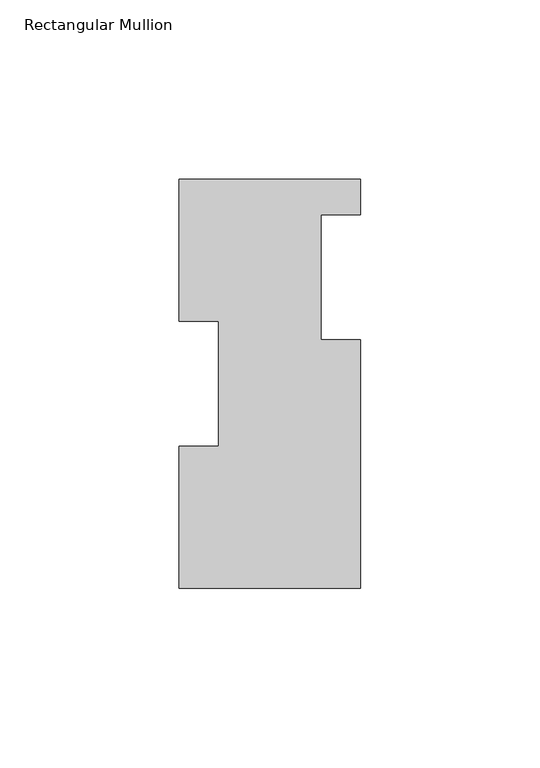
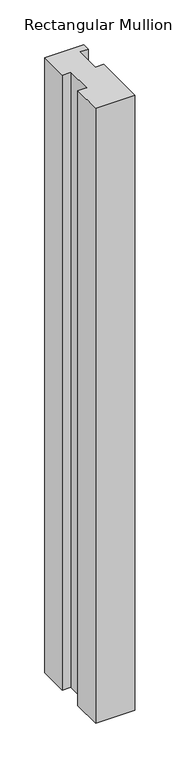
"""IFC4 building model written with IfcOpenShell, lengths in millimetres: member geometry, Rectangular Mullion."""

from ifc_helpers import new_model, si_unit, frame, origin, place, context, project, spatial, polyline, outline, extrude, source, transform, mapped, element, save


def rectangular_mullion_536989b6(model_context):
    return source(origin(), model_context, "Body", "SweptSolid", [
        extrude(outline(polyline([(-25.4, 114.0729875), (25.4, 114.0729875), (25.4, 104.1669875), (14.2875, 104.1669875), (14.2875, 69.2419875), (25.4, 69.2419875), (25.4, -0.2270125), (-25.4, -0.2270125), (-25.4, 39.4477875), (-14.2875, 39.4477875), (-14.2875, 74.3981875), (-25.4, 74.3981875), (-25.4, 114.0729875)])), frame((0.0, 0.0, -841.375), z_axis=(0.0, 0.0, 1.0), x_axis=(1.0, 0.0, 0.0)), (0.0, 0.0, 1.0), 841.375),
    ])


if __name__ == "__main__":
    model = new_model("IFC4")
    model_context = context("Model", 3, world=origin())
    ifc_project = project(units=[si_unit("LENGTHUNIT", "METRE", prefix="MILLI")], contexts=[model_context])
    site = spatial("IfcSite", under=ifc_project)
    building = spatial("IfcBuilding", under=site)
    placement = place(None, origin())
    rectangular_mullion_shape = rectangular_mullion_536989b6(model_context)
    element("IfcMember", 1, ObjectType="Rectangular Mullion", at=placement, inside=building, context=model_context, shape_type="MappedRepresentation", body=[
        mapped(rectangular_mullion_shape, transform((0.0, 0.0, 0.0), x_axis=(1.0, 0.0, 0.0), y_axis=(0.0, 1.0, 0.0), z_axis=(0.0, 0.0, 1.0))),
    ])
    save(model, "model.ifc")
